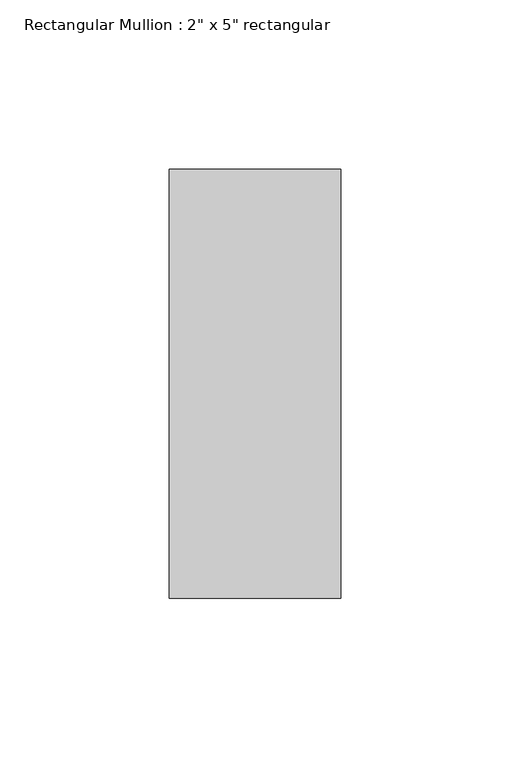
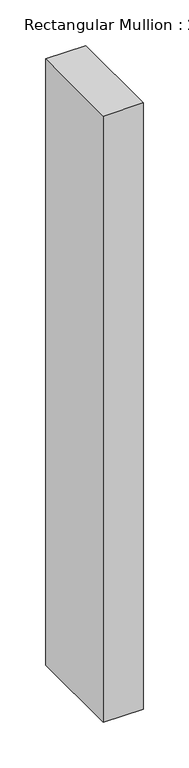
"""IFC4 building model written with IfcOpenShell, lengths in millimetres: member geometry."""

from ifc_helpers import new_model, si_unit, frame, origin, place, context, project, spatial, polyline, outline, extrude, source, transform, mapped, element, save


def member_5502aa97(model_context):
    return source(origin(), model_context, "Body", "SweptSolid", [
        extrude(outline(polyline([(0.0, 63.5), (0.0, -63.5), (-50.8, -63.5), (-50.8, 63.5), (0.0, 63.5)])), frame((0.0, 0.0, -812.8), z_axis=(0.0, 0.0, 1.0), x_axis=(1.0, 0.0, 0.0)), (0.0, 0.0, 1.0), 812.8),
    ])


if __name__ == "__main__":
    model = new_model("IFC4")
    model_context = context("Model", 3, world=origin())
    ifc_project = project(units=[si_unit("LENGTHUNIT", "METRE", prefix="MILLI")], contexts=[model_context])
    site = spatial("IfcSite", under=ifc_project)
    building = spatial("IfcBuilding", under=site)
    placement = place(None, origin())
    member_shape = member_5502aa97(model_context)
    element("IfcMember", 1, ObjectType="Rectangular Mullion : 2\" x 5\" rectangular", at=placement, inside=building, context=model_context, shape_type="MappedRepresentation", body=[
        mapped(member_shape, transform((0.0, 0.0, 0.0), x_axis=(1.0, 0.0, 0.0), y_axis=(0.0, 1.0, 0.0), z_axis=(0.0, 0.0, 1.0))),
    ])
    save(model, "model.ifc")
